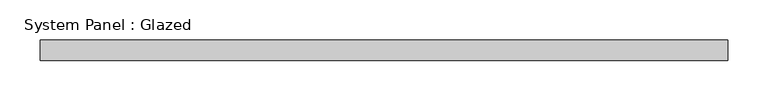
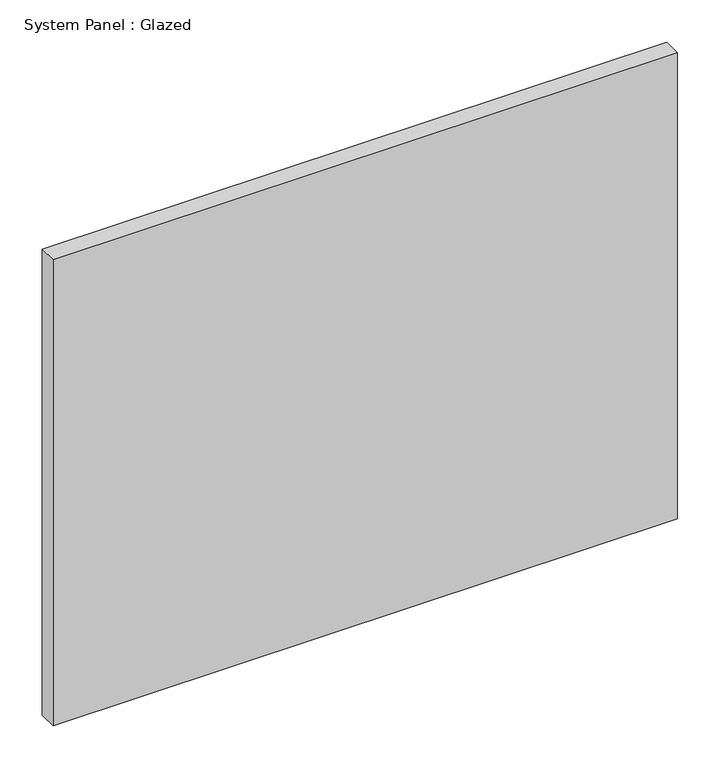
"""IFC4 building model written with IfcOpenShell, lengths in millimetres: plate geometry, System Panel : Glazed."""

from ifc_helpers import new_model, si_unit, origin, origin_with_axes, place, context, project, spatial, polyline, outline, extrude, source, transform, mapped, element, save


def system_panel_glazed_cd5d5f83(model_context):
    return source(origin(), model_context, "Body", "SweptSolid", [
        extrude(outline(polyline([(425.0, 24.5), (-425.0, 24.5), (-425.0, 49.5), (425.0, 49.5), (425.0, 24.5)])), origin_with_axes(), (0.0, 0.0, 1.0), 670.0),
    ])


if __name__ == "__main__":
    model = new_model("IFC4")
    model_context = context("Model", 3, world=origin())
    ifc_project = project(units=[si_unit("LENGTHUNIT", "METRE", prefix="MILLI")], contexts=[model_context])
    site = spatial("IfcSite", under=ifc_project)
    building = spatial("IfcBuilding", under=site)
    placement = place(None, origin())
    system_panel_glazed_shape = system_panel_glazed_cd5d5f83(model_context)
    element("IfcPlate", 1, ObjectType="System Panel : Glazed", at=placement, inside=building, context=model_context, shape_type="MappedRepresentation", body=[
        mapped(system_panel_glazed_shape, transform((0.0, 0.0, 0.0), x_axis=(1.0, 0.0, 0.0), y_axis=(0.0, 1.0, 0.0), z_axis=(0.0, 0.0, 1.0))),
    ])
    save(model, "model.ifc")
